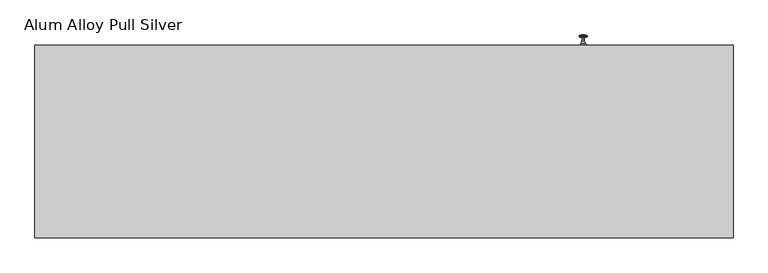
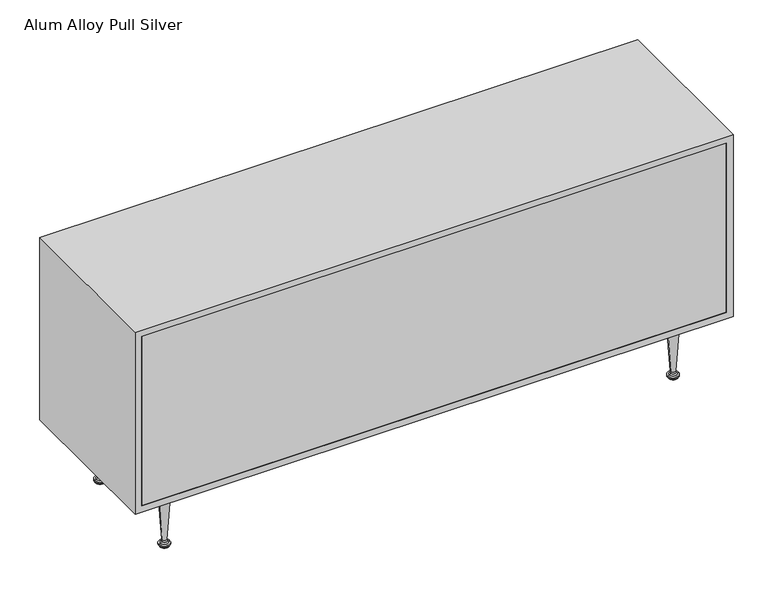
"""IFC4 building model written with IfcOpenShell, lengths in millimetres: furniture geometry, Alum Alloy Pull Silver."""

from ifc_helpers import new_model, si_unit, point, frame, origin, place, context, project, spatial, polyline, circle_curve, ellipse_curve, trimmed, outline, extrude, faceted_brep, source, transform, mapped, element, save
from ifc_brep_helpers import plane_surface, cylinder_surface, revolved_surface, advanced_brep


def alum_alloy_pull_silver_a4d4fa29(model_context):
    return source(origin(), model_context, "Body", "SolidModel", [
        advanced_brep(
        [(724.408, -158.75, 0.0), (713.1001796, -158.75, 0.0), (735.7158204, -158.75, 0.0), (711.5761797, -158.75, 1.524), (737.2398203, -158.75, 1.524), (711.5761797, -158.75, 3.1750001), (737.2398203, -158.75, 3.1750001), (710.721807, -158.75, 3.1750001), (738.094193, -158.75, 3.1750001), (710.721807, -158.75, 6.3500002), (738.094193, -158.75, 6.3500002), (708.4705644, -158.75, 6.3500002), (740.3454356, -158.75, 6.3500002), (708.4705644, -158.75, 9.525), (740.3454356, -158.75, 9.525), (713.1289919, -158.75, 10.8011076), (735.6870081, -158.75, 10.8011076), (716.5391943, -158.75, 14.2875), (732.2768057, -158.75, 14.2875), (717.7874194, -158.75, 19.05), (731.0285806, -158.75, 19.05), (708.1600001, -158.75, 168.2749939), (740.6559999, -158.75, 168.2749939), (706.9117751, -158.75, 173.0374939), (741.9042249, -158.75, 173.0374939), (703.5015726, -158.75, 176.5238909), (745.3144274, -158.75, 176.5238909), (698.8431451, -158.75, 177.7999939), (749.9728549, -158.75, 177.7999939), (687.3523494, -158.75, 177.7999939), (761.4636506, -158.75, 177.7999939), (687.3523494, -158.75, 184.15), (761.4636506, -158.75, 184.15), (724.408, -158.75, 184.15)],
        [
            (0, 1),
            (1, 2, circle_curve(frame((724.408, -158.75, 0.0), z_axis=(0.0, 0.0, -1.0), x_axis=(1.0, 0.0, 0.0)), 11.3078204)),
            (2, 0),
            (2, 1, circle_curve(frame((724.408, -158.75, 0.0), z_axis=(0.0, 0.0, -1.0), x_axis=(1.0, 0.0, 0.0)), 11.3078204)),
            (1, 3),
            (3, 4, circle_curve(frame((724.408, -158.75, 1.524), z_axis=(0.0, 0.0, -1.0), x_axis=(1.0, 0.0, 0.0)), 12.8318203)),
            (4, 2),
            (4, 3, circle_curve(frame((724.408, -158.75, 1.524), z_axis=(0.0, 0.0, -1.0), x_axis=(1.0, 0.0, 0.0)), 12.8318203)),
            (3, 5),
            (5, 6, circle_curve(frame((724.408, -158.75, 3.1750001), z_axis=(0.0, 0.0, -1.0), x_axis=(1.0, 0.0, 0.0)), 12.8318203)),
            (6, 4),
            (6, 5, circle_curve(frame((724.408, -158.75, 3.1750001), z_axis=(0.0, 0.0, -1.0), x_axis=(1.0, 0.0, 0.0)), 12.8318203)),
            (5, 7),
            (7, 8, circle_curve(frame((724.408, -158.75, 3.1750001), z_axis=(0.0, 0.0, -1.0), x_axis=(1.0, 0.0, 0.0)), 13.686193)),
            (8, 6),
            (8, 7, circle_curve(frame((724.408, -158.75, 3.1750001), z_axis=(0.0, 0.0, -1.0), x_axis=(1.0, 0.0, 0.0)), 13.686193)),
            (7, 9),
            (9, 10, circle_curve(frame((724.408, -158.75, 6.3500002), z_axis=(0.0, 0.0, -1.0), x_axis=(1.0, 0.0, 0.0)), 13.686193)),
            (10, 8),
            (10, 9, circle_curve(frame((724.408, -158.75, 6.3500002), z_axis=(0.0, 0.0, -1.0), x_axis=(1.0, 0.0, 0.0)), 13.686193)),
            (9, 11),
            (11, 12, circle_curve(frame((724.408, -158.75, 6.3500002), z_axis=(0.0, 0.0, -1.0), x_axis=(1.0, 0.0, 0.0)), 15.9374356)),
            (12, 10),
            (12, 11, circle_curve(frame((724.408, -158.75, 6.3500002), z_axis=(0.0, 0.0, -1.0), x_axis=(1.0, 0.0, 0.0)), 15.9374356)),
            (11, 13),
            (13, 14, circle_curve(frame((724.408, -158.75, 9.525), z_axis=(0.0, 0.0, -1.0), x_axis=(1.0, 0.0, 0.0)), 15.9374356)),
            (14, 12),
            (14, 13, circle_curve(frame((724.408, -158.75, 9.525), z_axis=(0.0, 0.0, -1.0), x_axis=(1.0, 0.0, 0.0)), 15.9374356)),
            (13, 15),
            (15, 16, circle_curve(frame((724.408, -158.75, 10.8011076), z_axis=(0.0, 0.0, -1.0), x_axis=(1.0, 0.0, 0.0)), 11.2790081)),
            (16, 14),
            (16, 15, circle_curve(frame((724.408, -158.75, 10.8011076), z_axis=(0.0, 0.0, -1.0), x_axis=(1.0, 0.0, 0.0)), 11.2790081)),
            (15, 17),
            (17, 18, circle_curve(frame((724.408, -158.75, 14.2875), z_axis=(0.0, 0.0, -1.0), x_axis=(1.0, 0.0, 0.0)), 7.8688057)),
            (18, 16),
            (18, 17, circle_curve(frame((724.408, -158.75, 14.2875), z_axis=(0.0, 0.0, -1.0), x_axis=(1.0, 0.0, 0.0)), 7.8688057)),
            (17, 19),
            (19, 20, circle_curve(frame((724.408, -158.75, 19.05), z_axis=(0.0, 0.0, -1.0), x_axis=(1.0, 0.0, 0.0)), 6.6205806)),
            (20, 18),
            (20, 19, circle_curve(frame((724.408, -158.75, 19.05), z_axis=(0.0, 0.0, -1.0), x_axis=(1.0, 0.0, 0.0)), 6.6205806)),
            (19, 21),
            (21, 22, circle_curve(frame((724.408, -158.75, 168.2749939), z_axis=(0.0, 0.0, -1.0), x_axis=(1.0, 0.0, 0.0)), 16.2479999)),
            (22, 20),
            (22, 21, circle_curve(frame((724.408, -158.75, 168.2749939), z_axis=(0.0, 0.0, -1.0), x_axis=(1.0, 0.0, 0.0)), 16.2479999)),
            (21, 23),
            (23, 24, circle_curve(frame((724.408, -158.75, 173.0374939), z_axis=(0.0, 0.0, -1.0), x_axis=(1.0, 0.0, 0.0)), 17.4962249)),
            (24, 22),
            (24, 23, circle_curve(frame((724.408, -158.75, 173.0374939), z_axis=(0.0, 0.0, -1.0), x_axis=(1.0, 0.0, 0.0)), 17.4962249)),
            (23, 25),
            (25, 26, circle_curve(frame((724.408, -158.75, 176.5238909), z_axis=(0.0, 0.0, -1.0), x_axis=(1.0, 0.0, 0.0)), 20.9064274)),
            (26, 24),
            (26, 25, circle_curve(frame((724.408, -158.75, 176.5238909), z_axis=(0.0, 0.0, -1.0), x_axis=(1.0, 0.0, 0.0)), 20.9064274)),
            (25, 27),
            (27, 28, circle_curve(frame((724.408, -158.75, 177.7999939), z_axis=(0.0, 0.0, -1.0), x_axis=(1.0, 0.0, 0.0)), 25.5648549)),
            (28, 26),
            (28, 27, circle_curve(frame((724.408, -158.75, 177.7999939), z_axis=(0.0, 0.0, -1.0), x_axis=(1.0, 0.0, 0.0)), 25.5648549)),
            (27, 29),
            (29, 30, circle_curve(frame((724.408, -158.75, 177.7999939), z_axis=(0.0, 0.0, -1.0), x_axis=(1.0, 0.0, 0.0)), 37.0556506)),
            (30, 28),
            (30, 29, circle_curve(frame((724.408, -158.75, 177.7999939), z_axis=(0.0, 0.0, -1.0), x_axis=(1.0, 0.0, 0.0)), 37.0556506)),
            (29, 31),
            (31, 32, circle_curve(frame((724.408, -158.75, 184.15), z_axis=(0.0, 0.0, -1.0), x_axis=(1.0, 0.0, 0.0)), 37.0556506)),
            (32, 30),
            (32, 31, circle_curve(frame((724.408, -158.75, 184.15), z_axis=(0.0, 0.0, -1.0), x_axis=(1.0, 0.0, 0.0)), 37.0556506)),
            (31, 33),
            (33, 32),
        ],
        [
            plane_surface(frame((724.408, -158.75, 0.0), z_axis=(0.0, 0.0, -1.0), x_axis=(1.0, 0.0, 0.0))),
            revolved_surface(polyline([(737.2398203, -158.75, 1.524), (735.7158204, -158.75, 0.0)]), (724.408, -158.75, 0.0), (0.0, 0.0, -1.0)),
            cylinder_surface(frame((724.408, -158.75, 0.0), z_axis=(0.0, 0.0, -1.0), x_axis=(1.0, 0.0, 0.0)), 12.8318203),
            plane_surface(frame((724.408, -158.75, 3.1750001), z_axis=(0.0, 0.0, -1.0), x_axis=(1.0, 0.0, 0.0))),
            cylinder_surface(frame((724.408, -158.75, 0.0), z_axis=(0.0, 0.0, -1.0), x_axis=(1.0, 0.0, 0.0)), 13.686193),
            plane_surface(frame((724.408, -158.75, 6.3500002), z_axis=(0.0, 0.0, -1.0), x_axis=(1.0, 0.0, 0.0))),
            cylinder_surface(frame((724.408, -158.75, 0.0), z_axis=(0.0, 0.0, -1.0), x_axis=(1.0, 0.0, 0.0)), 15.9374356),
            revolved_surface(polyline([(735.6870081, -158.75, 10.8011076), (740.3454356, -158.75, 9.525)]), (724.408, -158.75, 0.0), (0.0, 0.0, -1.0)),
            revolved_surface(polyline([(732.2768057, -158.75, 14.2875), (735.6870081, -158.75, 10.8011076)]), (724.408, -158.75, 0.0), (0.0, 0.0, -1.0)),
            revolved_surface(polyline([(731.0285806, -158.75, 19.05), (732.2768057, -158.75, 14.2875)]), (724.408, -158.75, 0.0), (0.0, 0.0, -1.0)),
            revolved_surface(polyline([(740.6559999, -158.75, 168.2749939), (731.0285806, -158.75, 19.05)]), (724.408, -158.75, 0.0), (0.0, 0.0, -1.0)),
            revolved_surface(polyline([(741.9042249, -158.75, 173.0374939), (740.6559999, -158.75, 168.2749939)]), (724.408, -158.75, 0.0), (0.0, 0.0, -1.0)),
            revolved_surface(polyline([(745.3144274, -158.75, 176.5238909), (741.9042249, -158.75, 173.0374939)]), (724.408, -158.75, 0.0), (0.0, 0.0, -1.0)),
            revolved_surface(polyline([(749.9728549, -158.75, 177.7999939), (745.3144274, -158.75, 176.5238909)]), (724.408, -158.75, 0.0), (0.0, 0.0, -1.0)),
            plane_surface(frame((724.408, -158.75, 177.7999939), z_axis=(0.0, 0.0, -1.0), x_axis=(1.0, 0.0, 0.0))),
            cylinder_surface(frame((724.408, -158.75, 0.0), z_axis=(0.0, 0.0, -1.0), x_axis=(1.0, 0.0, 0.0)), 37.0556506),
            plane_surface(frame((724.408, -158.75, 184.15), z_axis=(0.0, 0.0, 1.0), x_axis=(1.0, 0.0, 0.0))),
        ],
        [
            (0, [[1, 2, 3]]),
            (0, [[-3, 4, -1]]),
            (1, [[5, 6, 7, -2]]),
            (1, [[-7, 8, -5, -4]]),
            (2, [[9, 10, 11, -6]]),
            (2, [[-11, 12, -9, -8]]),
            (3, [[13, 14, 15, -10]]),
            (3, [[-15, 16, -13, -12]]),
            (4, [[17, 18, 19, -14]]),
            (4, [[-19, 20, -17, -16]]),
            (5, [[21, 22, 23, -18]]),
            (5, [[-23, 24, -21, -20]]),
            (6, [[25, 26, 27, -22]]),
            (6, [[-27, 28, -25, -24]]),
            (7, [[29, 30, 31, -26]]),
            (7, [[-31, 32, -29, -28]]),
            (8, [[33, 34, 35, -30]]),
            (8, [[-35, 36, -33, -32]]),
            (9, [[37, 38, 39, -34]]),
            (9, [[-39, 40, -37, -36]]),
            (10, [[41, 42, 43, -38]]),
            (10, [[-43, 44, -41, -40]]),
            (11, [[45, 46, 47, -42]]),
            (11, [[-47, 48, -45, -44]]),
            (12, [[49, 50, 51, -46]]),
            (12, [[-51, 52, -49, -48]]),
            (13, [[53, 54, 55, -50]]),
            (13, [[-55, 56, -53, -52]]),
            (14, [[57, 58, 59, -54]]),
            (14, [[-59, 60, -57, -56]]),
            (15, [[61, 62, 63, -58]]),
            (15, [[-63, 64, -61, -60]]),
            (16, [[65, 66, -62]]),
            (16, [[-66, -65, -64]]),
        ],
    ),
        advanced_brep(
        [(-724.408, -158.75, 0.0), (-735.7158204, -158.75, 0.0), (-713.1001796, -158.75, 0.0), (-737.2398203, -158.75, 1.524), (-711.5761797, -158.75, 1.524), (-737.2398203, -158.75, 3.1750001), (-711.5761797, -158.75, 3.1750001), (-738.094193, -158.75, 3.1750001), (-710.721807, -158.75, 3.1750001), (-738.094193, -158.75, 6.3500002), (-710.721807, -158.75, 6.3500002), (-740.3454356, -158.75, 6.3500002), (-708.4705644, -158.75, 6.3500002), (-740.3454356, -158.75, 9.525), (-708.4705644, -158.75, 9.525), (-735.6870081, -158.75, 10.8011076), (-713.1289919, -158.75, 10.8011076), (-732.2768057, -158.75, 14.2875), (-716.5391943, -158.75, 14.2875), (-731.0285806, -158.75, 19.05), (-717.7874194, -158.75, 19.05), (-740.6559999, -158.75, 168.2749939), (-708.1600001, -158.75, 168.2749939), (-741.9042249, -158.75, 173.0374939), (-706.9117751, -158.75, 173.0374939), (-745.3144274, -158.75, 176.5238909), (-703.5015726, -158.75, 176.5238909), (-749.9728549, -158.75, 177.7999939), (-698.8431451, -158.75, 177.7999939), (-761.4636506, -158.75, 177.7999939), (-687.3523494, -158.75, 177.7999939), (-761.4636506, -158.75, 184.15), (-687.3523494, -158.75, 184.15), (-724.408, -158.75, 184.15)],
        [
            (0, 1),
            (1, 2, circle_curve(frame((-724.408, -158.75, 0.0), z_axis=(0.0, 0.0, -1.0), x_axis=(1.0, 0.0, 0.0)), 11.3078204)),
            (2, 0),
            (2, 1, circle_curve(frame((-724.408, -158.75, 0.0), z_axis=(0.0, 0.0, -1.0), x_axis=(1.0, 0.0, 0.0)), 11.3078204)),
            (1, 3),
            (3, 4, circle_curve(frame((-724.408, -158.75, 1.524), z_axis=(0.0, 0.0, -1.0), x_axis=(1.0, 0.0, 0.0)), 12.8318203)),
            (4, 2),
            (4, 3, circle_curve(frame((-724.408, -158.75, 1.524), z_axis=(0.0, 0.0, -1.0), x_axis=(1.0, 0.0, 0.0)), 12.8318203)),
            (3, 5),
            (5, 6, circle_curve(frame((-724.408, -158.75, 3.1750001), z_axis=(0.0, 0.0, -1.0), x_axis=(1.0, 0.0, 0.0)), 12.8318203)),
            (6, 4),
            (6, 5, circle_curve(frame((-724.408, -158.75, 3.1750001), z_axis=(0.0, 0.0, -1.0), x_axis=(1.0, 0.0, 0.0)), 12.8318203)),
            (5, 7),
            (7, 8, circle_curve(frame((-724.408, -158.75, 3.1750001), z_axis=(0.0, 0.0, -1.0), x_axis=(1.0, 0.0, 0.0)), 13.686193)),
            (8, 6),
            (8, 7, circle_curve(frame((-724.408, -158.75, 3.1750001), z_axis=(0.0, 0.0, -1.0), x_axis=(1.0, 0.0, 0.0)), 13.686193)),
            (7, 9),
            (9, 10, circle_curve(frame((-724.408, -158.75, 6.3500002), z_axis=(0.0, 0.0, -1.0), x_axis=(1.0, 0.0, 0.0)), 13.686193)),
            (10, 8),
            (10, 9, circle_curve(frame((-724.408, -158.75, 6.3500002), z_axis=(0.0, 0.0, -1.0), x_axis=(1.0, 0.0, 0.0)), 13.686193)),
            (9, 11),
            (11, 12, circle_curve(frame((-724.408, -158.75, 6.3500002), z_axis=(0.0, 0.0, -1.0), x_axis=(1.0, 0.0, 0.0)), 15.9374356)),
            (12, 10),
            (12, 11, circle_curve(frame((-724.408, -158.75, 6.3500002), z_axis=(0.0, 0.0, -1.0), x_axis=(1.0, 0.0, 0.0)), 15.9374356)),
            (11, 13),
            (13, 14, circle_curve(frame((-724.408, -158.75, 9.525), z_axis=(0.0, 0.0, -1.0), x_axis=(1.0, 0.0, 0.0)), 15.9374356)),
            (14, 12),
            (14, 13, circle_curve(frame((-724.408, -158.75, 9.525), z_axis=(0.0, 0.0, -1.0), x_axis=(1.0, 0.0, 0.0)), 15.9374356)),
            (13, 15),
            (15, 16, circle_curve(frame((-724.408, -158.75, 10.8011076), z_axis=(0.0, 0.0, -1.0), x_axis=(1.0, 0.0, 0.0)), 11.2790081)),
            (16, 14),
            (16, 15, circle_curve(frame((-724.408, -158.75, 10.8011076), z_axis=(0.0, 0.0, -1.0), x_axis=(1.0, 0.0, 0.0)), 11.2790081)),
            (15, 17),
            (17, 18, circle_curve(frame((-724.408, -158.75, 14.2875), z_axis=(0.0, 0.0, -1.0), x_axis=(1.0, 0.0, 0.0)), 7.8688057)),
            (18, 16),
            (18, 17, circle_curve(frame((-724.408, -158.75, 14.2875), z_axis=(0.0, 0.0, -1.0), x_axis=(1.0, 0.0, 0.0)), 7.8688057)),
            (17, 19),
            (19, 20, circle_curve(frame((-724.408, -158.75, 19.05), z_axis=(0.0, 0.0, -1.0), x_axis=(1.0, 0.0, 0.0)), 6.6205806)),
            (20, 18),
            (20, 19, circle_curve(frame((-724.408, -158.75, 19.05), z_axis=(0.0, 0.0, -1.0), x_axis=(1.0, 0.0, 0.0)), 6.6205806)),
            (19, 21),
            (21, 22, circle_curve(frame((-724.408, -158.75, 168.2749939), z_axis=(0.0, 0.0, -1.0), x_axis=(1.0, 0.0, 0.0)), 16.2479999)),
            (22, 20),
            (22, 21, circle_curve(frame((-724.408, -158.75, 168.2749939), z_axis=(0.0, 0.0, -1.0), x_axis=(1.0, 0.0, 0.0)), 16.2479999)),
            (21, 23),
            (23, 24, circle_curve(frame((-724.408, -158.75, 173.0374939), z_axis=(0.0, 0.0, -1.0), x_axis=(1.0, 0.0, 0.0)), 17.4962249)),
            (24, 22),
            (24, 23, circle_curve(frame((-724.408, -158.75, 173.0374939), z_axis=(0.0, 0.0, -1.0), x_axis=(1.0, 0.0, 0.0)), 17.4962249)),
            (23, 25),
            (25, 26, circle_curve(frame((-724.408, -158.75, 176.5238909), z_axis=(0.0, 0.0, -1.0), x_axis=(1.0, 0.0, 0.0)), 20.9064274)),
            (26, 24),
            (26, 25, circle_curve(frame((-724.408, -158.75, 176.5238909), z_axis=(0.0, 0.0, -1.0), x_axis=(1.0, 0.0, 0.0)), 20.9064274)),
            (25, 27),
            (27, 28, circle_curve(frame((-724.408, -158.75, 177.7999939), z_axis=(0.0, 0.0, -1.0), x_axis=(1.0, 0.0, 0.0)), 25.5648549)),
            (28, 26),
            (28, 27, circle_curve(frame((-724.408, -158.75, 177.7999939), z_axis=(0.0, 0.0, -1.0), x_axis=(1.0, 0.0, 0.0)), 25.5648549)),
            (27, 29),
            (29, 30, circle_curve(frame((-724.408, -158.75, 177.7999939), z_axis=(0.0, 0.0, -1.0), x_axis=(1.0, 0.0, 0.0)), 37.0556506)),
            (30, 28),
            (30, 29, circle_curve(frame((-724.408, -158.75, 177.7999939), z_axis=(0.0, 0.0, -1.0), x_axis=(1.0, 0.0, 0.0)), 37.0556506)),
            (29, 31),
            (31, 32, circle_curve(frame((-724.408, -158.75, 184.15), z_axis=(0.0, 0.0, -1.0), x_axis=(1.0, 0.0, 0.0)), 37.0556506)),
            (32, 30),
            (32, 31, circle_curve(frame((-724.408, -158.75, 184.15), z_axis=(0.0, 0.0, -1.0), x_axis=(1.0, 0.0, 0.0)), 37.0556506)),
            (31, 33),
            (33, 32),
        ],
        [
            plane_surface(frame((-724.408, -158.75, 0.0), z_axis=(0.0, 0.0, -1.0), x_axis=(1.0, 0.0, 0.0))),
            revolved_surface(polyline([(-711.5761797, -158.75, 1.524), (-713.1001796, -158.75, 0.0)]), (-724.408, -158.75, 0.0), (0.0, 0.0, -1.0)),
            cylinder_surface(frame((-724.408, -158.75, 0.0), z_axis=(0.0, 0.0, -1.0), x_axis=(1.0, 0.0, 0.0)), 12.8318203),
            plane_surface(frame((-724.408, -158.75, 3.1750001), z_axis=(0.0, 0.0, -1.0), x_axis=(1.0, 0.0, 0.0))),
            cylinder_surface(frame((-724.408, -158.75, 0.0), z_axis=(0.0, 0.0, -1.0), x_axis=(1.0, 0.0, 0.0)), 13.686193),
            plane_surface(frame((-724.408, -158.75, 6.3500002), z_axis=(0.0, 0.0, -1.0), x_axis=(1.0, 0.0, 0.0))),
            cylinder_surface(frame((-724.408, -158.75, 0.0), z_axis=(0.0, 0.0, -1.0), x_axis=(1.0, 0.0, 0.0)), 15.9374356),
            revolved_surface(polyline([(-713.1289919, -158.75, 10.8011076), (-708.4705644, -158.75, 9.525)]), (-724.408, -158.75, 0.0), (0.0, 0.0, -1.0)),
            revolved_surface(polyline([(-716.5391943, -158.75, 14.2875), (-713.1289919, -158.75, 10.8011076)]), (-724.408, -158.75, 0.0), (0.0, 0.0, -1.0)),
            revolved_surface(polyline([(-717.7874194, -158.75, 19.05), (-716.5391943, -158.75, 14.2875)]), (-724.408, -158.75, 0.0), (0.0, 0.0, -1.0)),
            revolved_surface(polyline([(-708.1600001, -158.75, 168.2749939), (-717.7874194, -158.75, 19.05)]), (-724.408, -158.75, 0.0), (0.0, 0.0, -1.0)),
            revolved_surface(polyline([(-706.9117751, -158.75, 173.0374939), (-708.1600001, -158.75, 168.2749939)]), (-724.408, -158.75, 0.0), (0.0, 0.0, -1.0)),
            revolved_surface(polyline([(-703.5015726, -158.75, 176.5238909), (-706.9117751, -158.75, 173.0374939)]), (-724.408, -158.75, 0.0), (0.0, 0.0, -1.0)),
            revolved_surface(polyline([(-698.8431451, -158.75, 177.7999939), (-703.5015726, -158.75, 176.5238909)]), (-724.408, -158.75, 0.0), (0.0, 0.0, -1.0)),
            plane_surface(frame((-724.408, -158.75, 177.7999939), z_axis=(0.0, 0.0, -1.0), x_axis=(1.0, 0.0, 0.0))),
            cylinder_surface(frame((-724.408, -158.75, 0.0), z_axis=(0.0, 0.0, -1.0), x_axis=(1.0, 0.0, 0.0)), 37.0556506),
            plane_surface(frame((-724.408, -158.75, 184.15), z_axis=(0.0, 0.0, 1.0), x_axis=(1.0, 0.0, 0.0))),
        ],
        [
            (0, [[1, 2, 3]]),
            (0, [[-3, 4, -1]]),
            (1, [[5, 6, 7, -2]]),
            (1, [[-7, 8, -5, -4]]),
            (2, [[9, 10, 11, -6]]),
            (2, [[-11, 12, -9, -8]]),
            (3, [[13, 14, 15, -10]]),
            (3, [[-15, 16, -13, -12]]),
            (4, [[17, 18, 19, -14]]),
            (4, [[-19, 20, -17, -16]]),
            (5, [[21, 22, 23, -18]]),
            (5, [[-23, 24, -21, -20]]),
            (6, [[25, 26, 27, -22]]),
            (6, [[-27, 28, -25, -24]]),
            (7, [[29, 30, 31, -26]]),
            (7, [[-31, 32, -29, -28]]),
            (8, [[33, 34, 35, -30]]),
            (8, [[-35, 36, -33, -32]]),
            (9, [[37, 38, 39, -34]]),
            (9, [[-39, 40, -37, -36]]),
            (10, [[41, 42, 43, -38]]),
            (10, [[-43, 44, -41, -40]]),
            (11, [[45, 46, 47, -42]]),
            (11, [[-47, 48, -45, -44]]),
            (12, [[49, 50, 51, -46]]),
            (12, [[-51, 52, -49, -48]]),
            (13, [[53, 54, 55, -50]]),
            (13, [[-55, 56, -53, -52]]),
            (14, [[57, 58, 59, -54]]),
            (14, [[-59, 60, -57, -56]]),
            (15, [[61, 62, 63, -58]]),
            (15, [[-63, 64, -61, -60]]),
            (16, [[65, 66, -62]]),
            (16, [[-66, -65, -64]]),
        ],
    ),
        advanced_brep(
        [(724.408, 158.75, 0.0), (713.1001796, 158.75, 0.0), (735.7158204, 158.75, 0.0), (711.5761797, 158.75, 1.524), (737.2398203, 158.75, 1.524), (711.5761797, 158.75, 3.1750001), (737.2398203, 158.75, 3.1750001), (710.721807, 158.75, 3.1750001), (738.094193, 158.75, 3.1750001), (710.721807, 158.75, 6.3500002), (738.094193, 158.75, 6.3500002), (708.4705644, 158.75, 6.3500002), (740.3454356, 158.75, 6.3500002), (708.4705644, 158.75, 9.525), (740.3454356, 158.75, 9.525), (713.1289919, 158.75, 10.8011076), (735.6870081, 158.75, 10.8011076), (716.5391943, 158.75, 14.2875), (732.2768057, 158.75, 14.2875), (717.7874194, 158.75, 19.05), (731.0285806, 158.75, 19.05), (708.1600001, 158.75, 168.2749939), (740.6559999, 158.75, 168.2749939), (706.9117751, 158.75, 173.0374939), (741.9042249, 158.75, 173.0374939), (703.5015726, 158.75, 176.5238909), (745.3144274, 158.75, 176.5238909), (698.8431451, 158.75, 177.7999939), (749.9728549, 158.75, 177.7999939), (687.3523494, 158.75, 177.7999939), (761.4636506, 158.75, 177.7999939), (687.3523494, 158.75, 184.15), (761.4636506, 158.75, 184.15), (724.408, 158.75, 184.15)],
        [
            (0, 1),
            (1, 2, circle_curve(frame((724.408, 158.75, 0.0), z_axis=(0.0, 0.0, -1.0), x_axis=(1.0, 0.0, 0.0)), 11.3078204)),
            (2, 0),
            (2, 1, circle_curve(frame((724.408, 158.75, 0.0), z_axis=(0.0, 0.0, -1.0), x_axis=(1.0, 0.0, 0.0)), 11.3078204)),
            (1, 3),
            (3, 4, circle_curve(frame((724.408, 158.75, 1.524), z_axis=(0.0, 0.0, -1.0), x_axis=(1.0, 0.0, 0.0)), 12.8318203)),
            (4, 2),
            (4, 3, circle_curve(frame((724.408, 158.75, 1.524), z_axis=(0.0, 0.0, -1.0), x_axis=(1.0, 0.0, 0.0)), 12.8318203)),
            (3, 5),
            (5, 6, circle_curve(frame((724.408, 158.75, 3.1750001), z_axis=(0.0, 0.0, -1.0), x_axis=(1.0, 0.0, 0.0)), 12.8318203)),
            (6, 4),
            (6, 5, circle_curve(frame((724.408, 158.75, 3.1750001), z_axis=(0.0, 0.0, -1.0), x_axis=(1.0, 0.0, 0.0)), 12.8318203)),
            (5, 7),
            (7, 8, circle_curve(frame((724.408, 158.75, 3.1750001), z_axis=(0.0, 0.0, -1.0), x_axis=(1.0, 0.0, 0.0)), 13.686193)),
            (8, 6),
            (8, 7, circle_curve(frame((724.408, 158.75, 3.1750001), z_axis=(0.0, 0.0, -1.0), x_axis=(1.0, 0.0, 0.0)), 13.686193)),
            (7, 9),
            (9, 10, circle_curve(frame((724.408, 158.75, 6.3500002), z_axis=(0.0, 0.0, -1.0), x_axis=(1.0, 0.0, 0.0)), 13.686193)),
            (10, 8),
            (10, 9, circle_curve(frame((724.408, 158.75, 6.3500002), z_axis=(0.0, 0.0, -1.0), x_axis=(1.0, 0.0, 0.0)), 13.686193)),
            (9, 11),
            (11, 12, circle_curve(frame((724.408, 158.75, 6.3500002), z_axis=(0.0, 0.0, -1.0), x_axis=(1.0, 0.0, 0.0)), 15.9374356)),
            (12, 10),
            (12, 11, circle_curve(frame((724.408, 158.75, 6.3500002), z_axis=(0.0, 0.0, -1.0), x_axis=(1.0, 0.0, 0.0)), 15.9374356)),
            (11, 13),
            (13, 14, circle_curve(frame((724.408, 158.75, 9.525), z_axis=(0.0, 0.0, -1.0), x_axis=(1.0, 0.0, 0.0)), 15.9374356)),
            (14, 12),
            (14, 13, circle_curve(frame((724.408, 158.75, 9.525), z_axis=(0.0, 0.0, -1.0), x_axis=(1.0, 0.0, 0.0)), 15.9374356)),
            (13, 15),
            (15, 16, circle_curve(frame((724.408, 158.75, 10.8011076), z_axis=(0.0, 0.0, -1.0), x_axis=(1.0, 0.0, 0.0)), 11.2790081)),
            (16, 14),
            (16, 15, circle_curve(frame((724.408, 158.75, 10.8011076), z_axis=(0.0, 0.0, -1.0), x_axis=(1.0, 0.0, 0.0)), 11.2790081)),
            (15, 17),
            (17, 18, circle_curve(frame((724.408, 158.75, 14.2875), z_axis=(0.0, 0.0, -1.0), x_axis=(1.0, 0.0, 0.0)), 7.8688057)),
            (18, 16),
            (18, 17, circle_curve(frame((724.408, 158.75, 14.2875), z_axis=(0.0, 0.0, -1.0), x_axis=(1.0, 0.0, 0.0)), 7.8688057)),
            (17, 19),
            (19, 20, circle_curve(frame((724.408, 158.75, 19.05), z_axis=(0.0, 0.0, -1.0), x_axis=(1.0, 0.0, 0.0)), 6.6205806)),
            (20, 18),
            (20, 19, circle_curve(frame((724.408, 158.75, 19.05), z_axis=(0.0, 0.0, -1.0), x_axis=(1.0, 0.0, 0.0)), 6.6205806)),
            (19, 21),
            (21, 22, circle_curve(frame((724.408, 158.75, 168.2749939), z_axis=(0.0, 0.0, -1.0), x_axis=(1.0, 0.0, 0.0)), 16.2479999)),
            (22, 20),
            (22, 21, circle_curve(frame((724.408, 158.75, 168.2749939), z_axis=(0.0, 0.0, -1.0), x_axis=(1.0, 0.0, 0.0)), 16.2479999)),
            (21, 23),
            (23, 24, circle_curve(frame((724.408, 158.75, 173.0374939), z_axis=(0.0, 0.0, -1.0), x_axis=(1.0, 0.0, 0.0)), 17.4962249)),
            (24, 22),
            (24, 23, circle_curve(frame((724.408, 158.75, 173.0374939), z_axis=(0.0, 0.0, -1.0), x_axis=(1.0, 0.0, 0.0)), 17.4962249)),
            (23, 25),
            (25, 26, circle_curve(frame((724.408, 158.75, 176.5238909), z_axis=(0.0, 0.0, -1.0), x_axis=(1.0, 0.0, 0.0)), 20.9064274)),
            (26, 24),
            (26, 25, circle_curve(frame((724.408, 158.75, 176.5238909), z_axis=(0.0, 0.0, -1.0), x_axis=(1.0, 0.0, 0.0)), 20.9064274)),
            (25, 27),
            (27, 28, circle_curve(frame((724.408, 158.75, 177.7999939), z_axis=(0.0, 0.0, -1.0), x_axis=(1.0, 0.0, 0.0)), 25.5648549)),
            (28, 26),
            (28, 27, circle_curve(frame((724.408, 158.75, 177.7999939), z_axis=(0.0, 0.0, -1.0), x_axis=(1.0, 0.0, 0.0)), 25.5648549)),
            (27, 29),
            (29, 30, circle_curve(frame((724.408, 158.75, 177.7999939), z_axis=(0.0, 0.0, -1.0), x_axis=(1.0, 0.0, 0.0)), 37.0556506)),
            (30, 28),
            (30, 29, circle_curve(frame((724.408, 158.75, 177.7999939), z_axis=(0.0, 0.0, -1.0), x_axis=(1.0, 0.0, 0.0)), 37.0556506)),
            (29, 31),
            (31, 32, circle_curve(frame((724.408, 158.75, 184.15), z_axis=(0.0, 0.0, -1.0), x_axis=(1.0, 0.0, 0.0)), 37.0556506)),
            (32, 30),
            (32, 31, circle_curve(frame((724.408, 158.75, 184.15), z_axis=(0.0, 0.0, -1.0), x_axis=(1.0, 0.0, 0.0)), 37.0556506)),
            (31, 33),
            (33, 32),
        ],
        [
            plane_surface(frame((724.408, 158.75, 0.0), z_axis=(0.0, 0.0, -1.0), x_axis=(1.0, 0.0, 0.0))),
            revolved_surface(polyline([(737.2398203, 158.75, 1.524), (735.7158204, 158.75, 0.0)]), (724.408, 158.75, 0.0), (0.0, 0.0, -1.0)),
            cylinder_surface(frame((724.408, 158.75, 0.0), z_axis=(0.0, 0.0, -1.0), x_axis=(1.0, 0.0, 0.0)), 12.8318203),
            plane_surface(frame((724.408, 158.75, 3.1750001), z_axis=(0.0, 0.0, -1.0), x_axis=(1.0, 0.0, 0.0))),
            cylinder_surface(frame((724.408, 158.75, 0.0), z_axis=(0.0, 0.0, -1.0), x_axis=(1.0, 0.0, 0.0)), 13.686193),
            plane_surface(frame((724.408, 158.75, 6.3500002), z_axis=(0.0, 0.0, -1.0), x_axis=(1.0, 0.0, 0.0))),
            cylinder_surface(frame((724.408, 158.75, 0.0), z_axis=(0.0, 0.0, -1.0), x_axis=(1.0, 0.0, 0.0)), 15.9374356),
            revolved_surface(polyline([(735.6870081, 158.75, 10.8011076), (740.3454356, 158.75, 9.525)]), (724.408, 158.75, 0.0), (0.0, 0.0, -1.0)),
            revolved_surface(polyline([(732.2768057, 158.75, 14.2875), (735.6870081, 158.75, 10.8011076)]), (724.408, 158.75, 0.0), (0.0, 0.0, -1.0)),
            revolved_surface(polyline([(731.0285806, 158.75, 19.05), (732.2768057, 158.75, 14.2875)]), (724.408, 158.75, 0.0), (0.0, 0.0, -1.0)),
            revolved_surface(polyline([(740.6559999, 158.75, 168.2749939), (731.0285806, 158.75, 19.05)]), (724.408, 158.75, 0.0), (0.0, 0.0, -1.0)),
            revolved_surface(polyline([(741.9042249, 158.75, 173.0374939), (740.6559999, 158.75, 168.2749939)]), (724.408, 158.75, 0.0), (0.0, 0.0, -1.0)),
            revolved_surface(polyline([(745.3144274, 158.75, 176.5238909), (741.9042249, 158.75, 173.0374939)]), (724.408, 158.75, 0.0), (0.0, 0.0, -1.0)),
            revolved_surface(polyline([(749.9728549, 158.75, 177.7999939), (745.3144274, 158.75, 176.5238909)]), (724.408, 158.75, 0.0), (0.0, 0.0, -1.0)),
            plane_surface(frame((724.408, 158.75, 177.7999939), z_axis=(0.0, 0.0, -1.0), x_axis=(1.0, 0.0, 0.0))),
            cylinder_surface(frame((724.408, 158.75, 0.0), z_axis=(0.0, 0.0, -1.0), x_axis=(1.0, 0.0, 0.0)), 37.0556506),
            plane_surface(frame((724.408, 158.75, 184.15), z_axis=(0.0, 0.0, 1.0), x_axis=(1.0, 0.0, 0.0))),
        ],
        [
            (0, [[1, 2, 3]]),
            (0, [[-3, 4, -1]]),
            (1, [[5, 6, 7, -2]]),
            (1, [[-7, 8, -5, -4]]),
            (2, [[9, 10, 11, -6]]),
            (2, [[-11, 12, -9, -8]]),
            (3, [[13, 14, 15, -10]]),
            (3, [[-15, 16, -13, -12]]),
            (4, [[17, 18, 19, -14]]),
            (4, [[-19, 20, -17, -16]]),
            (5, [[21, 22, 23, -18]]),
            (5, [[-23, 24, -21, -20]]),
            (6, [[25, 26, 27, -22]]),
            (6, [[-27, 28, -25, -24]]),
            (7, [[29, 30, 31, -26]]),
            (7, [[-31, 32, -29, -28]]),
            (8, [[33, 34, 35, -30]]),
            (8, [[-35, 36, -33, -32]]),
            (9, [[37, 38, 39, -34]]),
            (9, [[-39, 40, -37, -36]]),
            (10, [[41, 42, 43, -38]]),
            (10, [[-43, 44, -41, -40]]),
            (11, [[45, 46, 47, -42]]),
            (11, [[-47, 48, -45, -44]]),
            (12, [[49, 50, 51, -46]]),
            (12, [[-51, 52, -49, -48]]),
            (13, [[53, 54, 55, -50]]),
            (13, [[-55, 56, -53, -52]]),
            (14, [[57, 58, 59, -54]]),
            (14, [[-59, 60, -57, -56]]),
            (15, [[61, 62, 63, -58]]),
            (15, [[-63, 64, -61, -60]]),
            (16, [[65, 66, -62]]),
            (16, [[-66, -65, -64]]),
        ],
    ),
        advanced_brep(
        [(-724.408, 158.75, 0.0), (-735.7158204, 158.75, 0.0), (-713.1001796, 158.75, 0.0), (-737.2398203, 158.75, 1.524), (-711.5761797, 158.75, 1.524), (-737.2398203, 158.75, 3.1750001), (-711.5761797, 158.75, 3.1750001), (-738.094193, 158.75, 3.1750001), (-710.721807, 158.75, 3.1750001), (-738.094193, 158.75, 6.3500002), (-710.721807, 158.75, 6.3500002), (-740.3454356, 158.75, 6.3500002), (-708.4705644, 158.75, 6.3500002), (-740.3454356, 158.75, 9.525), (-708.4705644, 158.75, 9.525), (-735.6870081, 158.75, 10.8011076), (-713.1289919, 158.75, 10.8011076), (-732.2768057, 158.75, 14.2875), (-716.5391943, 158.75, 14.2875), (-731.0285806, 158.75, 19.05), (-717.7874194, 158.75, 19.05), (-740.6559999, 158.75, 168.2749939), (-708.1600001, 158.75, 168.2749939), (-741.9042249, 158.75, 173.0374939), (-706.9117751, 158.75, 173.0374939), (-745.3144274, 158.75, 176.5238909), (-703.5015726, 158.75, 176.5238909), (-749.9728549, 158.75, 177.7999939), (-698.8431451, 158.75, 177.7999939), (-761.4636506, 158.75, 177.7999939), (-687.3523494, 158.75, 177.7999939), (-761.4636506, 158.75, 184.15), (-687.3523494, 158.75, 184.15), (-724.408, 158.75, 184.15)],
        [
            (0, 1),
            (1, 2, circle_curve(frame((-724.408, 158.75, 0.0), z_axis=(0.0, 0.0, -1.0), x_axis=(1.0, 0.0, 0.0)), 11.3078204)),
            (2, 0),
            (2, 1, circle_curve(frame((-724.408, 158.75, 0.0), z_axis=(0.0, 0.0, -1.0), x_axis=(1.0, 0.0, 0.0)), 11.3078204)),
            (1, 3),
            (3, 4, circle_curve(frame((-724.408, 158.75, 1.524), z_axis=(0.0, 0.0, -1.0), x_axis=(1.0, 0.0, 0.0)), 12.8318203)),
            (4, 2),
            (4, 3, circle_curve(frame((-724.408, 158.75, 1.524), z_axis=(0.0, 0.0, -1.0), x_axis=(1.0, 0.0, 0.0)), 12.8318203)),
            (3, 5),
            (5, 6, circle_curve(frame((-724.408, 158.75, 3.1750001), z_axis=(0.0, 0.0, -1.0), x_axis=(1.0, 0.0, 0.0)), 12.8318203)),
            (6, 4),
            (6, 5, circle_curve(frame((-724.408, 158.75, 3.1750001), z_axis=(0.0, 0.0, -1.0), x_axis=(1.0, 0.0, 0.0)), 12.8318203)),
            (5, 7),
            (7, 8, circle_curve(frame((-724.408, 158.75, 3.1750001), z_axis=(0.0, 0.0, -1.0), x_axis=(1.0, 0.0, 0.0)), 13.686193)),
            (8, 6),
            (8, 7, circle_curve(frame((-724.408, 158.75, 3.1750001), z_axis=(0.0, 0.0, -1.0), x_axis=(1.0, 0.0, 0.0)), 13.686193)),
            (7, 9),
            (9, 10, circle_curve(frame((-724.408, 158.75, 6.3500002), z_axis=(0.0, 0.0, -1.0), x_axis=(1.0, 0.0, 0.0)), 13.686193)),
            (10, 8),
            (10, 9, circle_curve(frame((-724.408, 158.75, 6.3500002), z_axis=(0.0, 0.0, -1.0), x_axis=(1.0, 0.0, 0.0)), 13.686193)),
            (9, 11),
            (11, 12, circle_curve(frame((-724.408, 158.75, 6.3500002), z_axis=(0.0, 0.0, -1.0), x_axis=(1.0, 0.0, 0.0)), 15.9374356)),
            (12, 10),
            (12, 11, circle_curve(frame((-724.408, 158.75, 6.3500002), z_axis=(0.0, 0.0, -1.0), x_axis=(1.0, 0.0, 0.0)), 15.9374356)),
            (11, 13),
            (13, 14, circle_curve(frame((-724.408, 158.75, 9.525), z_axis=(0.0, 0.0, -1.0), x_axis=(1.0, 0.0, 0.0)), 15.9374356)),
            (14, 12),
            (14, 13, circle_curve(frame((-724.408, 158.75, 9.525), z_axis=(0.0, 0.0, -1.0), x_axis=(1.0, 0.0, 0.0)), 15.9374356)),
            (13, 15),
            (15, 16, circle_curve(frame((-724.408, 158.75, 10.8011076), z_axis=(0.0, 0.0, -1.0), x_axis=(1.0, 0.0, 0.0)), 11.2790081)),
            (16, 14),
            (16, 15, circle_curve(frame((-724.408, 158.75, 10.8011076), z_axis=(0.0, 0.0, -1.0), x_axis=(1.0, 0.0, 0.0)), 11.2790081)),
            (15, 17),
            (17, 18, circle_curve(frame((-724.408, 158.75, 14.2875), z_axis=(0.0, 0.0, -1.0), x_axis=(1.0, 0.0, 0.0)), 7.8688057)),
            (18, 16),
            (18, 17, circle_curve(frame((-724.408, 158.75, 14.2875), z_axis=(0.0, 0.0, -1.0), x_axis=(1.0, 0.0, 0.0)), 7.8688057)),
            (17, 19),
            (19, 20, circle_curve(frame((-724.408, 158.75, 19.05), z_axis=(0.0, 0.0, -1.0), x_axis=(1.0, 0.0, 0.0)), 6.6205806)),
            (20, 18),
            (20, 19, circle_curve(frame((-724.408, 158.75, 19.05), z_axis=(0.0, 0.0, -1.0), x_axis=(1.0, 0.0, 0.0)), 6.6205806)),
            (19, 21),
            (21, 22, circle_curve(frame((-724.408, 158.75, 168.2749939), z_axis=(0.0, 0.0, -1.0), x_axis=(1.0, 0.0, 0.0)), 16.2479999)),
            (22, 20),
            (22, 21, circle_curve(frame((-724.408, 158.75, 168.2749939), z_axis=(0.0, 0.0, -1.0), x_axis=(1.0, 0.0, 0.0)), 16.2479999)),
            (21, 23),
            (23, 24, circle_curve(frame((-724.408, 158.75, 173.0374939), z_axis=(0.0, 0.0, -1.0), x_axis=(1.0, 0.0, 0.0)), 17.4962249)),
            (24, 22),
            (24, 23, circle_curve(frame((-724.408, 158.75, 173.0374939), z_axis=(0.0, 0.0, -1.0), x_axis=(1.0, 0.0, 0.0)), 17.4962249)),
            (23, 25),
            (25, 26, circle_curve(frame((-724.408, 158.75, 176.5238909), z_axis=(0.0, 0.0, -1.0), x_axis=(1.0, 0.0, 0.0)), 20.9064274)),
            (26, 24),
            (26, 25, circle_curve(frame((-724.408, 158.75, 176.5238909), z_axis=(0.0, 0.0, -1.0), x_axis=(1.0, 0.0, 0.0)), 20.9064274)),
            (25, 27),
            (27, 28, circle_curve(frame((-724.408, 158.75, 177.7999939), z_axis=(0.0, 0.0, -1.0), x_axis=(1.0, 0.0, 0.0)), 25.5648549)),
            (28, 26),
            (28, 27, circle_curve(frame((-724.408, 158.75, 177.7999939), z_axis=(0.0, 0.0, -1.0), x_axis=(1.0, 0.0, 0.0)), 25.5648549)),
            (27, 29),
            (29, 30, circle_curve(frame((-724.408, 158.75, 177.7999939), z_axis=(0.0, 0.0, -1.0), x_axis=(1.0, 0.0, 0.0)), 37.0556506)),
            (30, 28),
            (30, 29, circle_curve(frame((-724.408, 158.75, 177.7999939), z_axis=(0.0, 0.0, -1.0), x_axis=(1.0, 0.0, 0.0)), 37.0556506)),
            (29, 31),
            (31, 32, circle_curve(frame((-724.408, 158.75, 184.15), z_axis=(0.0, 0.0, -1.0), x_axis=(1.0, 0.0, 0.0)), 37.0556506)),
            (32, 30),
            (32, 31, circle_curve(frame((-724.408, 158.75, 184.15), z_axis=(0.0, 0.0, -1.0), x_axis=(1.0, 0.0, 0.0)), 37.0556506)),
            (31, 33),
            (33, 32),
        ],
        [
            plane_surface(frame((-724.408, 158.75, 0.0), z_axis=(0.0, 0.0, -1.0), x_axis=(1.0, 0.0, 0.0))),
            revolved_surface(polyline([(-711.5761797, 158.75, 1.524), (-713.1001796, 158.75, 0.0)]), (-724.408, 158.75, 0.0), (0.0, 0.0, -1.0)),
            cylinder_surface(frame((-724.408, 158.75, 0.0), z_axis=(0.0, 0.0, -1.0), x_axis=(1.0, 0.0, 0.0)), 12.8318203),
            plane_surface(frame((-724.408, 158.75, 3.1750001), z_axis=(0.0, 0.0, -1.0), x_axis=(1.0, 0.0, 0.0))),
            cylinder_surface(frame((-724.408, 158.75, 0.0), z_axis=(0.0, 0.0, -1.0), x_axis=(1.0, 0.0, 0.0)), 13.686193),
            plane_surface(frame((-724.408, 158.75, 6.3500002), z_axis=(0.0, 0.0, -1.0), x_axis=(1.0, 0.0, 0.0))),
            cylinder_surface(frame((-724.408, 158.75, 0.0), z_axis=(0.0, 0.0, -1.0), x_axis=(1.0, 0.0, 0.0)), 15.9374356),
            revolved_surface(polyline([(-713.1289919, 158.75, 10.8011076), (-708.4705644, 158.75, 9.525)]), (-724.408, 158.75, 0.0), (0.0, 0.0, -1.0)),
            revolved_surface(polyline([(-716.5391943, 158.75, 14.2875), (-713.1289919, 158.75, 10.8011076)]), (-724.408, 158.75, 0.0), (0.0, 0.0, -1.0)),
            revolved_surface(polyline([(-717.7874194, 158.75, 19.05), (-716.5391943, 158.75, 14.2875)]), (-724.408, 158.75, 0.0), (0.0, 0.0, -1.0)),
            revolved_surface(polyline([(-708.1600001, 158.75, 168.2749939), (-717.7874194, 158.75, 19.05)]), (-724.408, 158.75, 0.0), (0.0, 0.0, -1.0)),
            revolved_surface(polyline([(-706.9117751, 158.75, 173.0374939), (-708.1600001, 158.75, 168.2749939)]), (-724.408, 158.75, 0.0), (0.0, 0.0, -1.0)),
            revolved_surface(polyline([(-703.5015726, 158.75, 176.5238909), (-706.9117751, 158.75, 173.0374939)]), (-724.408, 158.75, 0.0), (0.0, 0.0, -1.0)),
            revolved_surface(polyline([(-698.8431451, 158.75, 177.7999939), (-703.5015726, 158.75, 176.5238909)]), (-724.408, 158.75, 0.0), (0.0, 0.0, -1.0)),
            plane_surface(frame((-724.408, 158.75, 177.7999939), z_axis=(0.0, 0.0, -1.0), x_axis=(1.0, 0.0, 0.0))),
            cylinder_surface(frame((-724.408, 158.75, 0.0), z_axis=(0.0, 0.0, -1.0), x_axis=(1.0, 0.0, 0.0)), 37.0556506),
            plane_surface(frame((-724.408, 158.75, 184.15), z_axis=(0.0, 0.0, 1.0), x_axis=(1.0, 0.0, 0.0))),
        ],
        [
            (0, [[1, 2, 3]]),
            (0, [[-3, 4, -1]]),
            (1, [[5, 6, 7, -2]]),
            (1, [[-7, 8, -5, -4]]),
            (2, [[9, 10, 11, -6]]),
            (2, [[-11, 12, -9, -8]]),
            (3, [[13, 14, 15, -10]]),
            (3, [[-15, 16, -13, -12]]),
            (4, [[17, 18, 19, -14]]),
            (4, [[-19, 20, -17, -16]]),
            (5, [[21, 22, 23, -18]]),
            (5, [[-23, 24, -21, -20]]),
            (6, [[25, 26, 27, -22]]),
            (6, [[-27, 28, -25, -24]]),
            (7, [[29, 30, 31, -26]]),
            (7, [[-31, 32, -29, -28]]),
            (8, [[33, 34, 35, -30]]),
            (8, [[-35, 36, -33, -32]]),
            (9, [[37, 38, 39, -34]]),
            (9, [[-39, 40, -37, -36]]),
            (10, [[41, 42, 43, -38]]),
            (10, [[-43, 44, -41, -40]]),
            (11, [[45, 46, 47, -42]]),
            (11, [[-47, 48, -45, -44]]),
            (12, [[49, 50, 51, -46]]),
            (12, [[-51, 52, -49, -48]]),
            (13, [[53, 54, 55, -50]]),
            (13, [[-55, 56, -53, -52]]),
            (14, [[57, 58, 59, -54]]),
            (14, [[-59, 60, -57, -56]]),
            (15, [[61, 62, 63, -58]]),
            (15, [[-63, 64, -61, -60]]),
            (16, [[65, 66, -62]]),
            (16, [[-66, -65, -64]]),
        ],
    ),
        extrude(outline(polyline([(419.74008, 229.21214), (419.74008, 210.16214), (1.63068, 210.16214), (1.63068, 229.21214), (419.74008, 229.21214)])), frame((0.0, 0.0, 196.85), z_axis=(0.0, 0.0, 1.0), x_axis=(1.0, 0.0, 0.0)), (0.0, 0.0, 1.0), 525.4117),
        extrude(outline(polyline([(839.4954, 229.21214), (839.4954, 210.16214), (421.39108, 210.16214), (421.39108, 229.21214), (839.4954, 229.21214)])), frame((0.0, 0.0, 196.85), z_axis=(0.0, 0.0, 1.0), x_axis=(1.0, 0.0, 0.0)), (0.0, 0.0, 1.0), 525.4117),
        extrude(outline(polyline([(-1.63068, 229.21214), (-1.63068, 210.16214), (-839.4954, 210.16214), (-839.4954, 229.21214), (-1.63068, 229.21214)])), frame((0.0, 0.0, 593.7377), z_axis=(0.0, 0.0, 1.0), x_axis=(1.0, 0.0, 0.0)), (0.0, 0.0, 1.0), 128.524),
        extrude(outline(polyline([(-1.63068, 229.21214), (-1.63068, 210.16214), (-839.4954, 210.16214), (-839.4954, 229.21214), (-1.63068, 229.21214)])), frame((0.0, 0.0, 196.85), z_axis=(0.0, 0.0, 1.0), x_axis=(1.0, 0.0, 0.0)), (0.0, 0.0, 1.0), 128.524),
        extrude(outline(polyline([(-1.63068, 229.21214), (-1.63068, 210.16214), (-839.4954, 210.16214), (-839.4954, 229.21214), (-1.63068, 229.21214)])), frame((0.0, 0.0, 461.9625), z_axis=(0.0, 0.0, 1.0), x_axis=(1.0, 0.0, 0.0)), (0.0, 0.0, 1.0), 128.524),
        extrude(outline(polyline([(-1.63068, 229.21214), (-1.63068, 210.16214), (-839.4954, 210.16214), (-839.4954, 229.21214), (-1.63068, 229.21214)])), frame((0.0, 0.0, 329.40752), z_axis=(0.0, 0.0, 1.0), x_axis=(1.0, 0.0, 0.0)), (0.0, 0.0, 1.0), 128.52146),
        faceted_brep([(-851.408, 234.95, 184.15), (-851.408, 234.95, 733.552), (851.408, 234.95, 733.552), (851.408, 234.95, 184.15), (-841.883, 234.95, 724.027), (-841.883, 234.95, 193.675), (841.883, 234.95, 193.675), (841.883, 234.95, 724.027), (-851.408, -234.95, 184.15), (851.408, -234.95, 184.15), (851.408, -234.95, 733.552), (-851.408, -234.95, 733.552), (832.358, -234.95, 714.502), (832.358, -234.95, 203.2), (-832.358, -234.95, 203.2), (-832.358, -234.95, 714.502), (832.358, 209.51952, 714.502), (832.358, 209.51952, 203.2), (-832.358, 209.51952, 203.2), (-832.358, 209.51952, 714.502), (841.883, 209.51952, 724.027), (841.883, 209.51952, 193.675), (-841.883, 209.51952, 193.675), (-841.883, 209.51952, 724.027)], [[[0, 1, 2, 3], [4, 5, 6, 7]], [[8, 9, 10, 11], [12, 13, 14, 15]], [[3, 9, 8, 0]], [[2, 10, 9, 3]], [[1, 11, 10, 2]], [[0, 8, 11, 1]], [[12, 16, 17, 13]], [[13, 17, 18, 14]], [[14, 18, 19, 15]], [[15, 19, 16, 12]], [[20, 21, 22, 23], [16, 19, 18, 17]], [[23, 4, 7, 20]], [[22, 5, 4, 23]], [[21, 6, 5, 22]], [[20, 7, 6, 21]]]),
        extrude(outline(polyline([(-832.358, 209.51952), (832.358, 209.51952), (832.358, -233.3625), (-832.358, -233.3625), (-832.358, 209.51952)])), frame((0.0, 0.0, 203.2), z_axis=(0.0, 0.0, 1.0), x_axis=(1.0, 0.0, 0.0)), (0.0, 0.0, 1.0), 511.302),
        advanced_brep(
        [(476.3766063, 257.8192238, 657.9997), (480.9406446, 259.1398554, 657.9997), (490.4264754, 259.1398554, 657.9997), (494.9905137, 257.8192238, 657.9997), (476.5066492, 255.2710872, 657.9997), (494.8604708, 255.2710872, 657.9997), (481.1458574, 253.301007, 657.9997), (490.2212626, 253.301007, 657.9997), (482.9947343, 250.2783323, 657.9997), (488.3723857, 250.2783323, 657.9997), (482.6189215, 245.0166622, 657.9997), (488.7481985, 245.0166622, 657.9997), (480.6724197, 239.1137522, 657.9997), (490.6947003, 239.1137522, 657.9997), (476.1578696, 234.8414839, 657.9997), (495.2092504, 234.8414839, 657.9997), (470.1566734, 233.2231597, 657.9997), (501.2104466, 233.2231597, 657.9997), (468.7385551, 232.6357682, 657.9997), (502.6285649, 232.6357682, 657.9997), (468.1511636, 231.2176499, 657.9997), (503.2159564, 231.2176499, 657.9997), (468.1511636, 229.21214, 657.9997), (503.2159564, 229.21214, 657.9997), (485.68356, 229.21214, 657.9997), (485.68356, 259.5867943, 657.9997)],
        [
            (0, 1),
            (1, 2, circle_curve(frame((485.68356, 259.1398554, 657.9997), z_axis=(0.0, -1.0, 0.0), x_axis=(1.0, 0.0, 0.0)), 4.7429154)),
            (2, 3),
            (3, 0, circle_curve(frame((485.68356, 257.8192238, 657.9997), z_axis=(0.0, 1.0, 0.0), x_axis=(1.0, 0.0, 0.0)), 9.3069537)),
            (2, 1, circle_curve(frame((485.68356, 259.1398554, 657.9997), z_axis=(0.0, -1.0, 0.0), x_axis=(1.0, 0.0, 0.0)), 4.7429154)),
            (0, 3, circle_curve(frame((485.68356, 257.8192238, 657.9997), z_axis=(0.0, 1.0, 0.0), x_axis=(1.0, 0.0, 0.0)), 9.3069537)),
            (4, 0, circle_curve(frame((477.2221055, 256.5849868, 657.9997), z_axis=(0.0, 0.0, -1.0), x_axis=(1.0, 0.0, 0.0)), 1.4960648)),
            (3, 5, circle_curve(frame((494.1450145, 256.5849868, 657.9997), z_axis=(0.0, 0.0, -1.0), x_axis=(-1.0, 0.0, 0.0)), 1.4960648)),
            (5, 4, circle_curve(frame((485.68356, 255.2710872, 657.9997), z_axis=(0.0, 1.0, 0.0), x_axis=(1.0, 0.0, 0.0)), 9.1769108)),
            (4, 5, circle_curve(frame((485.68356, 255.2710872, 657.9997), z_axis=(0.0, 1.0, 0.0), x_axis=(1.0, 0.0, 0.0)), 9.1769108)),
            (6, 4),
            (5, 7),
            (7, 6, circle_curve(frame((485.68356, 253.301007, 657.9997), z_axis=(0.0, 1.0, 0.0), x_axis=(1.0, 0.0, 0.0)), 4.5377026)),
            (6, 7, circle_curve(frame((485.68356, 253.301007, 657.9997), z_axis=(0.0, 1.0, 0.0), x_axis=(1.0, 0.0, 0.0)), 4.5377026)),
            (8, 6, circle_curve(frame((479.9544669, 250.4954823, 657.9997), z_axis=(0.0, 0.0, 1.0), x_axis=(1.0, 0.0, 0.0)), 3.0480125)),
            (7, 9, circle_curve(frame((491.4126531, 250.4954823, 657.9997), z_axis=(0.0, 0.0, 1.0), x_axis=(-1.0, 0.0, 0.0)), 3.0480125)),
            (9, 8, circle_curve(frame((485.68356, 250.2783323, 657.9997), z_axis=(0.0, 1.0, 0.0), x_axis=(1.0, 0.0, 0.0)), 2.6888257)),
            (8, 9, circle_curve(frame((485.68356, 250.2783323, 657.9997), z_axis=(0.0, 1.0, 0.0), x_axis=(1.0, 0.0, 0.0)), 2.6888257)),
            (10, 8),
            (9, 11),
            (11, 10, circle_curve(frame((485.68356, 245.0166622, 657.9997), z_axis=(0.0, 1.0, 0.0), x_axis=(1.0, 0.0, 0.0)), 3.0646385)),
            (10, 11, circle_curve(frame((485.68356, 245.0166622, 657.9997), z_axis=(0.0, 1.0, 0.0), x_axis=(1.0, 0.0, 0.0)), 3.0646385)),
            (12, 10),
            (11, 13),
            (13, 12, circle_curve(frame((485.68356, 239.1137522, 657.9997), z_axis=(0.0, 1.0, 0.0), x_axis=(1.0, 0.0, 0.0)), 5.0111403)),
            (12, 13, circle_curve(frame((485.68356, 239.1137522, 657.9997), z_axis=(0.0, 1.0, 0.0), x_axis=(1.0, 0.0, 0.0)), 5.0111403)),
            (14, 12),
            (13, 15),
            (15, 14, circle_curve(frame((485.68356, 234.8414839, 657.9997), z_axis=(0.0, 1.0, 0.0), x_axis=(1.0, 0.0, 0.0)), 9.5256904)),
            (14, 15, circle_curve(frame((485.68356, 234.8414839, 657.9997), z_axis=(0.0, 1.0, 0.0), x_axis=(1.0, 0.0, 0.0)), 9.5256904)),
            (16, 14),
            (15, 17),
            (17, 16, circle_curve(frame((485.68356, 233.2231597, 657.9997), z_axis=(0.0, 1.0, 0.0), x_axis=(1.0, 0.0, 0.0)), 15.5268866)),
            (16, 17, circle_curve(frame((485.68356, 233.2231597, 657.9997), z_axis=(0.0, 1.0, 0.0), x_axis=(1.0, 0.0, 0.0)), 15.5268866)),
            (18, 16),
            (17, 19),
            (19, 18, circle_curve(frame((485.68356, 232.6357682, 657.9997), z_axis=(0.0, 1.0, 0.0), x_axis=(1.0, 0.0, 0.0)), 16.9450049)),
            (18, 19, circle_curve(frame((485.68356, 232.6357682, 657.9997), z_axis=(0.0, 1.0, 0.0), x_axis=(1.0, 0.0, 0.0)), 16.9450049)),
            (20, 18),
            (19, 21),
            (21, 20, circle_curve(frame((485.68356, 231.2176499, 657.9997), z_axis=(0.0, 1.0, 0.0), x_axis=(1.0, 0.0, 0.0)), 17.5323964)),
            (20, 21, circle_curve(frame((485.68356, 231.2176499, 657.9997), z_axis=(0.0, 1.0, 0.0), x_axis=(1.0, 0.0, 0.0)), 17.5323964)),
            (22, 20),
            (21, 23),
            (23, 22, circle_curve(frame((485.68356, 229.21214, 657.9997), z_axis=(0.0, 1.0, 0.0), x_axis=(1.0, 0.0, 0.0)), 17.5323964)),
            (22, 23, circle_curve(frame((485.68356, 229.21214, 657.9997), z_axis=(0.0, 1.0, 0.0), x_axis=(1.0, 0.0, 0.0)), 17.5323964)),
            (24, 22),
            (23, 24),
            (1, 25),
            (25, 2),
        ],
        [
            revolved_surface(polyline([(490.4264754, 259.1398554, 657.9997), (494.9905137, 257.8192238, 657.9997)]), (485.68356, 259.5867943, 657.9997), (0.0, -1.0, 0.0)),
            revolved_surface(trimmed(ellipse_curve(frame((494.1450145, 256.5849868, 657.9997), z_axis=(0.0, 0.0, -1.0), x_axis=(-1.0, 0.0, 0.0)), 1.4960648, 1.4960648), [point((494.9905137, 257.8192238, 657.9997))], [point((494.8604708, 255.2710872, 657.9997))], True, "CARTESIAN"), (485.68356, 259.5867943, 657.9997), (0.0, -1.0, 0.0)),
            revolved_surface(polyline([(494.8604708, 255.2710872, 657.9997), (490.2212626, 253.301007, 657.9997)]), (485.68356, 259.5867943, 657.9997), (0.0, -1.0, 0.0)),
            revolved_surface(trimmed(ellipse_curve(frame((491.4126531, 250.4954823, 657.9997), z_axis=(0.0, 0.0, 1.0), x_axis=(-1.0, 0.0, 0.0)), 3.0480125, 3.0480125), [point((490.2212626, 253.301007, 657.9997))], [point((488.3723857, 250.2783323, 657.9997))], True, "CARTESIAN"), (485.68356, 259.5867943, 657.9997), (0.0, -1.0, 0.0)),
            revolved_surface(polyline([(488.3723857, 250.2783323, 657.9997), (488.7481985, 245.0166622, 657.9997)]), (485.68356, 259.5867943, 657.9997), (0.0, -1.0, 0.0)),
            revolved_surface(polyline([(488.7481985, 245.0166622, 657.9997), (490.6947003, 239.1137522, 657.9997)]), (485.68356, 259.5867943, 657.9997), (0.0, -1.0, 0.0)),
            revolved_surface(polyline([(490.6947003, 239.1137522, 657.9997), (495.2092504, 234.8414839, 657.9997)]), (485.68356, 259.5867943, 657.9997), (0.0, -1.0, 0.0)),
            revolved_surface(polyline([(495.2092504, 234.8414839, 657.9997), (501.2104466, 233.2231597, 657.9997)]), (485.68356, 259.5867943, 657.9997), (0.0, -1.0, 0.0)),
            revolved_surface(polyline([(501.2104466, 233.2231597, 657.9997), (502.6285649, 232.6357682, 657.9997)]), (485.68356, 259.5867943, 657.9997), (0.0, -1.0, 0.0)),
            revolved_surface(polyline([(502.6285649, 232.6357682, 657.9997), (503.2159564, 231.2176499, 657.9997)]), (485.68356, 259.5867943, 657.9997), (0.0, -1.0, 0.0)),
            cylinder_surface(frame((485.68356, 259.5867943, 657.9997), z_axis=(0.0, -1.0, 0.0), x_axis=(1.0, 0.0, 0.0)), 17.5323964),
            plane_surface(frame((485.68356, 229.21214, 657.9997), z_axis=(0.0, -1.0, 0.0), x_axis=(1.0, 0.0, 0.0))),
            revolved_surface(polyline([(485.68356, 259.5867943, 657.9997), (490.4264754, 259.1398554, 657.9997)]), (485.68356, 259.5867943, 657.9997), (0.0, -1.0, 0.0)),
        ],
        [
            (0, [[1, 2, 3, 4]]),
            (0, [[-3, 5, -1, 6]]),
            (1, [[7, -4, 8, 9]]),
            (1, [[-8, -6, -7, 10]]),
            (2, [[11, -9, 12, 13]]),
            (2, [[-12, -10, -11, 14]]),
            (3, [[15, -13, 16, 17]]),
            (3, [[-16, -14, -15, 18]]),
            (4, [[19, -17, 20, 21]]),
            (4, [[-20, -18, -19, 22]]),
            (5, [[23, -21, 24, 25]]),
            (5, [[-24, -22, -23, 26]]),
            (6, [[27, -25, 28, 29]]),
            (6, [[-28, -26, -27, 30]]),
            (7, [[31, -29, 32, 33]]),
            (7, [[-32, -30, -31, 34]]),
            (8, [[35, -33, 36, 37]]),
            (8, [[-36, -34, -35, 38]]),
            (9, [[39, -37, 40, 41]]),
            (9, [[-40, -38, -39, 42]]),
            (10, [[43, -41, 44, 45]]),
            (10, [[-44, -42, -43, 46]]),
            (11, [[47, -45, 48]]),
            (11, [[-48, -46, -47]]),
            (12, [[49, 50, -2]]),
            (12, [[-50, -49, -5]]),
        ],
    ),
    ])


if __name__ == "__main__":
    model = new_model("IFC4")
    model_context = context("Model", 3, world=origin())
    ifc_project = project(units=[si_unit("LENGTHUNIT", "METRE", prefix="MILLI")], contexts=[model_context])
    site = spatial("IfcSite", under=ifc_project)
    building = spatial("IfcBuilding", under=site)
    placement = place(None, origin())
    alum_alloy_pull_silver_shape = alum_alloy_pull_silver_a4d4fa29(model_context)
    element("IfcFurniture", 1, ObjectType="Alum Alloy Pull Silver", at=placement, inside=building, context=model_context, shape_type="MappedRepresentation", body=[
        mapped(alum_alloy_pull_silver_shape, transform((0.0, 0.0, 0.0), x_axis=(1.0, 0.0, 0.0), y_axis=(0.0, 1.0, 0.0), z_axis=(0.0, 0.0, 1.0))),
    ])
    save(model, "model.ifc")
